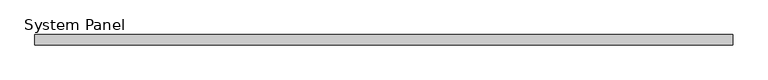
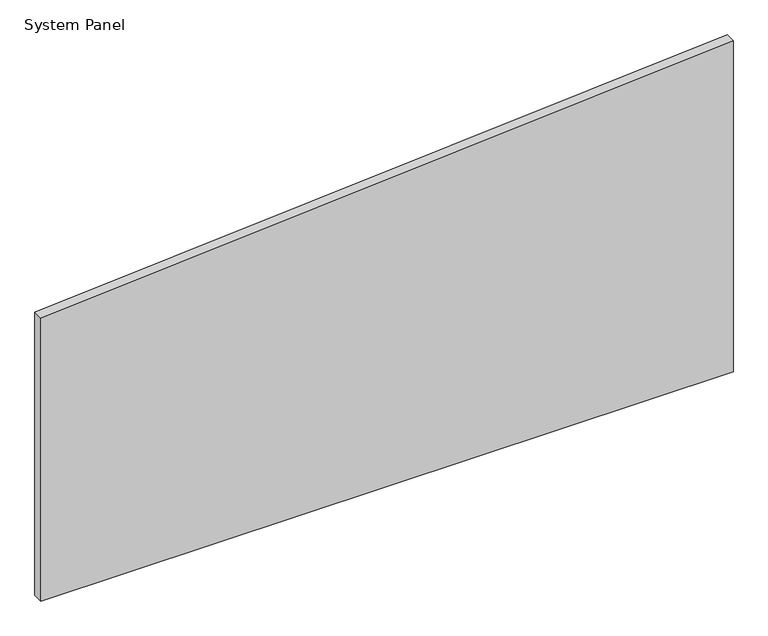
"""IFC4 building model written with IfcOpenShell, lengths in millimetres: plate geometry, System Panel."""

from ifc_helpers import new_model, si_unit, frame, origin, place, context, project, spatial, polyline, outline, extrude, source, transform, mapped, element, save


def system_panel_a154c3fd(model_context):
    return source(origin(), model_context, "Body", "SweptSolid", [
        extrude(outline(polyline([(0.0, -665.5461192), (0.0, 665.5461192), (672.784492, 665.5461192), (574.80967, -665.5461192), (0.0, -665.5461192)])), frame((0.0, -10.0, 0.0), z_axis=(0.0, 1.0, 0.0), x_axis=(0.0, 0.0, 1.0)), (0.0, 0.0, 1.0), 20.0),
    ])


if __name__ == "__main__":
    model = new_model("IFC4")
    model_context = context("Model", 3, world=origin())
    ifc_project = project(units=[si_unit("LENGTHUNIT", "METRE", prefix="MILLI")], contexts=[model_context])
    site = spatial("IfcSite", under=ifc_project)
    building = spatial("IfcBuilding", under=site)
    placement = place(None, origin())
    system_panel_shape = system_panel_a154c3fd(model_context)
    element("IfcPlate", 1, ObjectType="System Panel", at=placement, inside=building, context=model_context, shape_type="MappedRepresentation", body=[
        mapped(system_panel_shape, transform((0.0, 0.0, 0.0), x_axis=(1.0, 0.0, 0.0), y_axis=(0.0, 1.0, 0.0), z_axis=(0.0, 0.0, 1.0))),
    ])
    save(model, "model.ifc")
